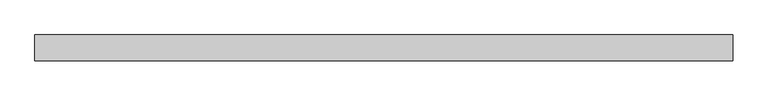
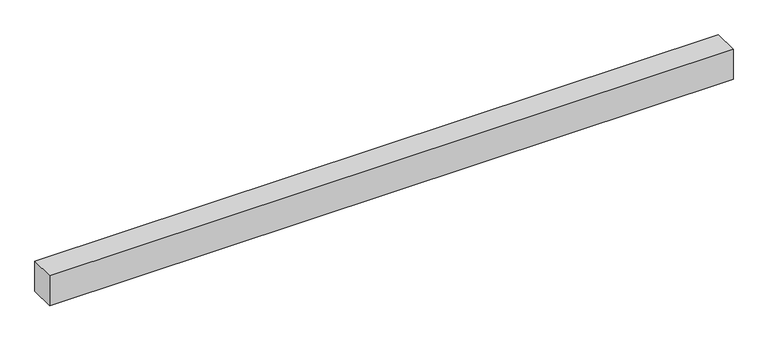
"""IFC4 building model written with IfcOpenShell, lengths in millimetres: proxy geometry."""

from ifc_helpers import new_model, si_unit, origin, origin_with_axes, place, context, project, spatial, polyline, outline, extrude, source, transform, mapped, element, save


def generic_models_18c5b6bf(model_context):
    return source(origin(), model_context, "Body", "SweptSolid", [
        extrude(outline(polyline([(2160.0, -40.0), (0.0, -40.0), (0.0, 40.0), (2160.0, 40.0), (2160.0, -40.0)])), origin_with_axes(), (0.0, 0.0, 1.0), 100.0),
    ])


if __name__ == "__main__":
    model = new_model("IFC4")
    model_context = context("Model", 3, world=origin())
    ifc_project = project(units=[si_unit("LENGTHUNIT", "METRE", prefix="MILLI")], contexts=[model_context])
    site = spatial("IfcSite", under=ifc_project)
    building = spatial("IfcBuilding", under=site)
    placement = place(None, origin())
    generic_models_shape = generic_models_18c5b6bf(model_context)
    element("IfcBuildingElementProxy", 1, Name="Generic Models", at=placement, inside=building, context=model_context, shape_type="MappedRepresentation", body=[
        mapped(generic_models_shape, transform((0.0, 0.0, 0.0), x_axis=(1.0, 0.0, 0.0), y_axis=(0.0, 1.0, 0.0), z_axis=(0.0, 0.0, 1.0))),
    ])
    save(model, "model.ifc")
